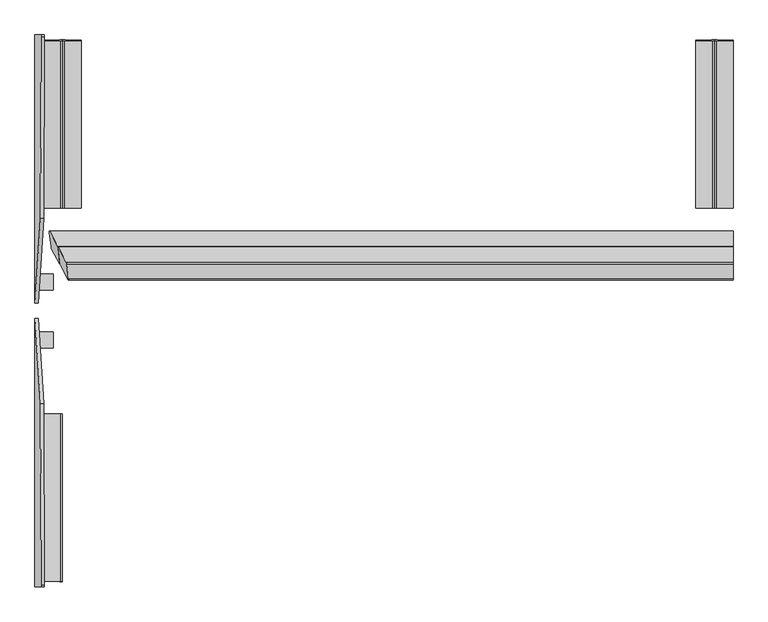
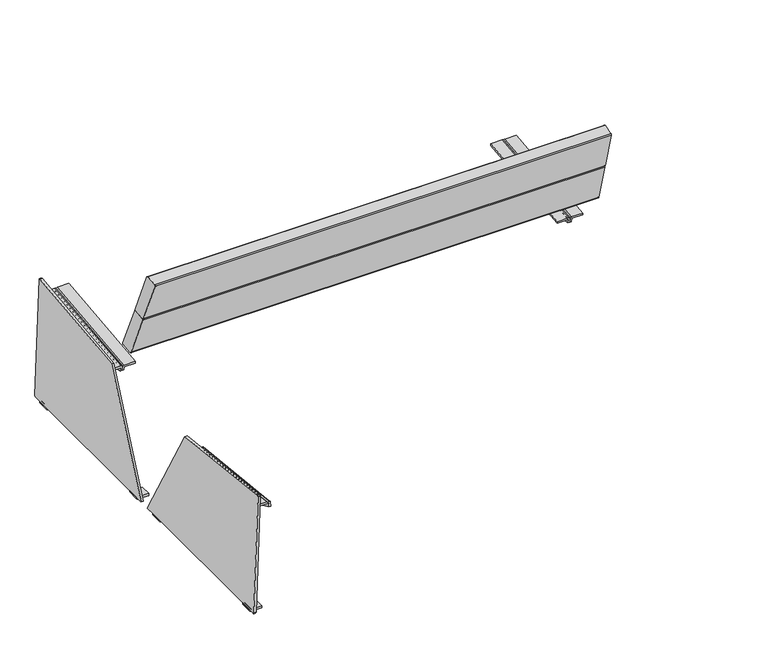
"""IFC4 building model written with IfcOpenShell, lengths in millimetres: furniture geometry."""

from ifc_helpers import new_model, si_unit, frame, origin, place, context, project, spatial, polyline, circle_curve, ellipse_curve, source, transform, mapped, element, save
from ifc_brep_helpers import plane_surface, cylinder_surface, revolved_surface, advanced_brep


def furniture_32de3968(model_context):
    return source(origin(), model_context, "Body", "AdvancedBrep", [
        advanced_brep(
        [(-813.6175866, -321.0984876, 392.7020678), (-813.6175866, 96.5595156, 347.1443157), (-813.6175866, 98.3286043, 363.3705861), (-813.6175866, -319.3317784, 408.9065131), (-819.6131806, 96.5595156, 347.1443157), (-819.6131806, -321.0984876, 392.7020678), (-819.6131806, -319.8223825, 404.4066392), (-819.6131806, 97.8380001, 358.8707122), (-817.6175866, -318.8982426, 412.8829495), (-859.6028254, -318.8982426, 412.8829495), (-859.6028254, -319.7193007, 405.3521172), (-820.5642613, -319.7193007, 405.3521172), (-820.5642613, 97.941082, 359.8161902), (-859.6028254, 97.941082, 359.8161902), (-859.6028254, 98.76214, 367.3470225), (-817.6175866, 98.76214, 367.3470225)],
        [
            (0, 1, circle_curve(frame((-813.6175866, -59.7670647, 851.2475639), z_axis=(1.0, 0.0, 0.0), x_axis=(0.0, -1.0, 0.0)), 527.7860216)),
            (1, 2),
            (2, 3),
            (3, 0),
            (4, 5, circle_curve(frame((-819.6131806, -59.7670647, 851.2475639), z_axis=(-1.0, 0.0, 0.0), x_axis=(0.0, -1.0, 0.0)), 527.7860216)),
            (5, 6),
            (6, 7),
            (7, 4),
            (5, 0),
            (3, 8, circle_curve(frame((-817.6175866, -319.3317784, 408.9065131), z_axis=(0.0, -0.9941091089617909, 0.10838394474826071), x_axis=(0.0, -0.10838394474826071, -0.9941091089617909)), 4.0)),
            (8, 9),
            (9, 10),
            (10, 11),
            (11, 6, circle_curve(frame((-820.5642613, -319.8223825, 404.4066392), z_axis=(0.0, 0.9941091089617909, -0.10838394474826071), x_axis=(0.0, -0.10838394474826071, -0.9941091089617909)), 0.9510807)),
            (4, 1),
            (7, 12, circle_curve(frame((-820.5642613, 97.8380001, 358.8707122), z_axis=(0.0, -0.9941091089617909, 0.10838394474826071), x_axis=(0.0, -0.10838394474826071, -0.9941091089617909)), 0.9510807)),
            (12, 13),
            (13, 14),
            (14, 15),
            (15, 2, circle_curve(frame((-817.6175866, 98.3286043, 363.3705861), z_axis=(0.0, 0.9941091089617909, -0.10838394474826071), x_axis=(0.0, -0.10838394474826071, -0.9941091089617909)), 4.0)),
            (9, 14),
            (13, 10),
            (12, 11),
            (15, 8),
        ],
        [
            plane_surface(frame((-813.6175866, -319.8564605, 404.0940726), z_axis=(1.0, 0.0, 0.0), x_axis=(0.0, -0.10838394474826071, -0.9941091089617909))),
            plane_surface(frame((-819.6131806, -319.8564605, 404.0940726), z_axis=(-1.0, 0.0, 0.0), x_axis=(0.0, 0.10838394474826071, 0.9941091089617909))),
            plane_surface(frame((-813.6175866, -319.8564605, 404.0940726), z_axis=(0.0, -0.9941091089617909, 0.10838394474826071), x_axis=(-1.0, 0.0, 0.0))),
            cylinder_surface(frame((-819.6131806, -59.7670647, 851.2475639), z_axis=(1.0, 0.0, 0.0), x_axis=(0.0, -1.0, 0.0)), 527.7860216),
            plane_surface(frame((-813.6175866, 96.5595156, 347.1443157), z_axis=(0.0, 0.9941091089617916, -0.10838394474825458), x_axis=(-1.0, 0.0, 0.0))),
            plane_surface(frame((-859.6028254, -318.8982426, 412.8829495), z_axis=(-1.0000000000000002, 0.0, 0.0), x_axis=(0.0, 0.994109108961791, -0.10838394474826066))),
            plane_surface(frame((-859.6028254, -319.7193007, 405.3521172), z_axis=(0.0, -0.10838394474826069, -0.994109108961791), x_axis=(0.0, 0.994109108961791, -0.10838394474826069))),
            revolved_surface(polyline([(-820.5642613, 97.73491824228601, 357.9252342105562), (-820.5642613, -319.92546445485533, 403.46116123677587)]), (-820.5642613, 97.8380001, 358.8707122), (0.0, 0.9941091089617909, -0.10838394474826071)),
            cylinder_surface(frame((-817.6175866, 98.3286043, 363.3705861), z_axis=(0.0, -0.9941091089617909, 0.10838394474826071), x_axis=(0.0, -0.10838394474826071, -0.9941091089617909)), 4.0),
            plane_surface(frame((-817.6175866, -318.8982426, 412.8829495), z_axis=(0.0, 0.10838394474826066, 0.994109108961791), x_axis=(0.0, 0.994109108961791, -0.10838394474826066))),
        ],
        [
            (0, [[1, 2, 3, 4]]),
            (1, [[5, 6, 7, 8]]),
            (2, [[-6, 9, -4, 10, 11, 12, 13, 14]]),
            (3, [[-1, -9, -5, 15]]),
            (4, [[-2, -15, -8, 16, 17, 18, 19, 20]]),
            (5, [[-12, 21, -18, 22]]),
            (6, [[-13, -22, -17, 23]]),
            (7, [[-14, -23, -16, -7]]),
            (8, [[-10, -3, -20, 24]]),
            (9, [[-11, -24, -19, -21]]),
        ],
    ),
        advanced_brep(
        [(-872.7246235, -303.3438949, 8.0), (-873.7592787, -303.3438949, 9.0714168), (-873.7270646, -303.3438949, 9.9939083), (-881.7221912, -303.3438949, 10.2731042), (-881.7221912, -303.3438949, 8.2703475), (-873.7845921, -303.3438949, 0.0), (-836.0809359, -303.3438949, 0.0), (-836.0809359, -303.3438949, 8.0), (-872.7246235, -263.3438949, 8.0), (-836.0809359, -263.3438949, 8.0), (-836.0809359, -263.3438949, 0.0), (-873.7845921, -263.3438949, 0.0), (-881.7221912, -263.3438949, 8.2703475), (-881.7221912, -263.3438949, 10.2731042), (-873.7270646, -263.3438949, 9.9939083), (-873.7592787, -263.3438949, 9.0714168), (-873.7270646, 263.3438949, 9.9939083), (-873.7592787, 263.3438949, 9.0714168), (-873.7592787, 303.3438949, 9.0714168), (-873.7270646, 303.3438949, 9.9939083), (-873.7270646, 333.3438949, 9.9939083), (-873.6893191, 336.0793859, 11.0747965), (-859.8067367, 124.9540587, 408.6199423), (-858.0775206, -328.9097929, 458.1382142), (-858.216294, -333.3438949, 454.1642618), (-873.5874666, -333.3438949, 13.9914716), (-873.7270646, -329.3438949, 9.9939083), (-867.8018633, 124.9540587, 408.8991383), (-881.6844457, 336.0793859, 11.3539925), (-881.7221912, 333.3438949, 10.2731042), (-881.7221912, 303.3438949, 10.2731042), (-881.7221912, 263.3438949, 10.2731042), (-881.7221912, -329.3438949, 10.2731042), (-881.5825932, -333.3438949, 14.2706676), (-866.2114206, -333.3438949, 454.4434578), (-866.0726472, -328.9097929, 458.4174101), (-872.7246235, 303.3438949, 8.0), (-836.0809359, 303.3438949, 8.0), (-836.0809359, 303.3438949, 0.0), (-873.7845921, 303.3438949, 0.0), (-881.7221912, 303.3438949, 8.2703475), (-872.7246235, 263.3438949, 8.0), (-881.7221912, 263.3438949, 8.2703475), (-873.7845921, 263.3438949, 0.0), (-836.0809359, 263.3438949, 0.0), (-836.0809359, 263.3438949, 8.0)],
        [
            (0, 1, circle_curve(frame((-872.7246235, -303.3438949, 9.0352858), z_axis=(0.0, 1.0, 0.0), x_axis=(1.0, 0.0, 0.0)), 1.0352858)),
            (1, 2),
            (2, 3),
            (3, 4),
            (4, 5, circle_curve(frame((-873.4448692, -303.3438949, 8.2703475), z_axis=(0.0, -1.0, 0.0), x_axis=(1.0, 0.0, 0.0)), 8.277322)),
            (5, 6),
            (6, 7),
            (7, 0),
            (8, 9),
            (9, 10),
            (10, 11),
            (11, 12, circle_curve(frame((-873.4448692, -263.3438949, 8.2703475), z_axis=(0.0, 1.0, 0.0), x_axis=(1.0, 0.0, 0.0)), 8.277322)),
            (12, 13),
            (13, 14),
            (14, 15),
            (15, 8, circle_curve(frame((-872.7246235, -263.3438949, 9.0352858), z_axis=(0.0, -1.0, 0.0), x_axis=(1.0, 0.0, 0.0)), 1.0352858)),
            (0, 8),
            (15, 1),
            (14, 16),
            (16, 17),
            (17, 18),
            (18, 19),
            (19, 20),
            (20, 21, circle_curve(frame((-873.5874621, 333.3438949, 13.9916002), z_axis=(0.9993908270190959, 0.0, -0.0348994967025008), x_axis=(-0.0348994967025008, 0.0, -0.9993908270190959)), 4.0001287)),
            (21, 22),
            (22, 23),
            (23, 24, circle_curve(frame((-858.216294, -329.3438949, 454.1642618), z_axis=(0.9993908270190959, 0.0, -0.0348994967025008), x_axis=(-0.0348994967025008, 0.0, -0.9993908270190959)), 4.0)),
            (24, 25),
            (25, 26, circle_curve(frame((-873.5874666, -329.3438949, 13.9914716), z_axis=(0.9993908270190959, 0.0, -0.0348994967025008), x_axis=(-0.0348994967025008, 0.0, -0.9993908270190959)), 4.0)),
            (26, 2),
            (5, 11),
            (10, 6),
            (9, 7),
            (3, 13),
            (12, 4),
            (27, 28),
            (28, 29, circle_curve(frame((-881.5825887, 333.3438949, 14.2707962), z_axis=(-0.9993908270190959, 0.0, 0.0348994967025008), x_axis=(-0.0348994967025008, 0.0, -0.9993908270190959)), 4.0001287)),
            (29, 30),
            (30, 31),
            (31, 13),
            (3, 32),
            (32, 33, circle_curve(frame((-881.5825932, -329.3438949, 14.2706676), z_axis=(-0.9993908270190959, 0.0, 0.0348994967025008), x_axis=(-0.0348994967025008, 0.0, -0.9993908270190959)), 4.0)),
            (33, 34),
            (34, 35, circle_curve(frame((-866.2114206, -329.3438949, 454.4434578), z_axis=(-0.9993908270190959, 0.0, 0.0348994967025008), x_axis=(-0.0348994967025008, 0.0, -0.9993908270190959)), 4.0)),
            (35, 27),
            (27, 22),
            (21, 28),
            (20, 29),
            (31, 16),
            (19, 30),
            (26, 32),
            (25, 33),
            (24, 34),
            (23, 35),
            (36, 37),
            (37, 38),
            (38, 39),
            (39, 40, circle_curve(frame((-873.4448692, 303.3438949, 8.2703475), z_axis=(0.0, 1.0, 0.0), x_axis=(1.0, 0.0, 0.0)), 8.277322)),
            (40, 30),
            (18, 36, circle_curve(frame((-872.7246235, 303.3438949, 9.0352858), z_axis=(0.0, -1.0, 0.0), x_axis=(1.0, 0.0, 0.0)), 1.0352858)),
            (41, 17, circle_curve(frame((-872.7246235, 263.3438949, 9.0352858), z_axis=(0.0, 1.0, 0.0), x_axis=(1.0, 0.0, 0.0)), 1.0352858)),
            (31, 42),
            (42, 43, circle_curve(frame((-873.4448692, 263.3438949, 8.2703475), z_axis=(0.0, -1.0, 0.0), x_axis=(1.0, 0.0, 0.0)), 8.277322)),
            (43, 44),
            (44, 45),
            (45, 41),
            (41, 36),
            (38, 44),
            (43, 39),
            (37, 45),
            (40, 42),
        ],
        [
            plane_surface(frame((-871.6893377, -303.3438949, 9.0352858), z_axis=(0.0, -1.0, 0.0), x_axis=(0.0, 0.0, -1.0))),
            plane_surface(frame((-871.6893377, -263.3438949, 9.0352858), z_axis=(0.0, 1.0, 0.0), x_axis=(0.0, 0.0, 1.0))),
            revolved_surface(polyline([(-871.6893377, -263.3438949, 9.0352858), (-871.6893377, -303.3438949, 9.0352858)]), (-872.7246235, -263.3438949, 9.0352858), (0.0, 1.0, 0.0)),
            plane_surface(frame((-873.7592787, -303.3438949, 9.0714168), z_axis=(0.9993908270190954, 0.0, -0.03489949670251134), x_axis=(0.0, 1.0, 0.0))),
            plane_surface(frame((-873.7845921, -303.3438949, 0.0), z_axis=(0.0, 0.0, -1.0), x_axis=(0.0, 1.0, 0.0))),
            plane_surface(frame((-836.0809359, -303.3438949, 0.0), z_axis=(1.0, 0.0, 0.0), x_axis=(0.0, 1.0, 0.0))),
            plane_surface(frame((-836.0809359, -303.3438949, 8.0), z_axis=(0.0, 0.0, 1.0), x_axis=(0.0, 1.0, 0.0))),
            plane_surface(frame((-881.7221912, -303.3438949, 10.2731042), z_axis=(-1.0, 0.0, 0.0), x_axis=(0.0, 1.0, 0.0))),
            cylinder_surface(frame((-873.4448692, -263.3438949, 8.2703475), z_axis=(0.0, -1.0, 0.0), x_axis=(1.0, 0.0, 0.0)), 8.277322),
            plane_surface(frame((-867.7611698, 124.3351949, 410.0644476), z_axis=(-0.9993908270190959, 0.0, 0.0348994967025008), x_axis=(-0.030826689731681154, 0.46881010804538603, -0.8827608950302795))),
            plane_surface(frame((-867.8018633, 124.9540587, 408.8991383), z_axis=(0.01636123681982749, 0.8832989769010681, 0.4685245215943901), x_axis=(0.9993908270190959, 0.0, -0.03489949670249758))),
            cylinder_surface(frame((-873.5874621, 333.3438949, 13.9916002), z_axis=(-0.9993908270190959, 0.0, 0.0348994967025008), x_axis=(-0.0348994967025008, 0.0, -0.9993908270190959)), 4.0001287),
            plane_surface(frame((-881.7221912, 333.3438949, 10.2731042), z_axis=(-0.03489949670249758, 0.0, -0.9993908270190959), x_axis=(0.9993908270190959, 0.0, -0.03489949670249758))),
            cylinder_surface(frame((-873.5874666, -329.3438949, 13.9914716), z_axis=(-0.9993908270190959, 0.0, 0.0348994967025008), x_axis=(-0.0348994967025008, 0.0, -0.9993908270190959)), 4.0),
            plane_surface(frame((-881.5825932, -333.3438949, 14.2706676), z_axis=(0.0, -1.0, 0.0), x_axis=(0.9993908270190959, 0.0, -0.03489949670249758))),
            cylinder_surface(frame((-858.216294, -329.3438949, 454.1642618), z_axis=(-0.9993908270190959, 0.0, 0.0348994967025008), x_axis=(-0.0348994967025008, 0.0, -0.9993908270190959)), 4.0),
            plane_surface(frame((-866.0726472, -328.9097929, 458.4174101), z_axis=(0.03469336856703176, 0.1085255092275189, 0.9934880895231608), x_axis=(0.9993908270190959, 0.0, -0.03489949670249758))),
            plane_surface(frame((-836.0809359, 303.3438949, 8.0), z_axis=(0.0, 1.0, 0.0), x_axis=(1.0, 0.0, 0.0))),
            plane_surface(frame((-836.0809359, 263.3438949, 8.0), z_axis=(0.0, -1.0, 0.0), x_axis=(-1.0, 0.0, 0.0))),
            revolved_surface(polyline([(-871.6893377, 263.3438949, 9.0352858), (-871.6893377, 303.3438949, 9.0352858)]), (-872.7246235, 263.3438949, 9.0352858), (0.0, -1.0, 0.0)),
            plane_surface(frame((-836.0809359, 303.3438949, 0.0), z_axis=(0.0, 0.0, -1.0), x_axis=(0.0, -1.0, 0.0))),
            plane_surface(frame((-836.0809359, 303.3438949, 8.0), z_axis=(1.0, 0.0, 0.0), x_axis=(0.0, -1.0, 0.0))),
            plane_surface(frame((-872.7246235, 303.3438949, 8.0), z_axis=(0.0, 0.0, 1.0), x_axis=(0.0, -1.0, 0.0))),
            plane_surface(frame((-881.7221912, 303.3438949, 8.2703475), z_axis=(-1.0, 0.0, 0.0), x_axis=(0.0, -1.0, 0.0))),
            cylinder_surface(frame((-873.4448692, 263.3438949, 8.2703475), z_axis=(0.0, 1.0, 0.0), x_axis=(1.0, 0.0, 0.0)), 8.277322),
        ],
        [
            (0, [[1, 2, 3, 4, 5, 6, 7, 8]]),
            (1, [[9, 10, 11, 12, 13, 14, 15, 16]]),
            (2, [[-1, 17, -16, 18]]),
            (3, [[-2, -18, -15, 19, 20, 21, 22, 23, 24, 25, 26, 27, 28, 29, 30]]),
            (4, [[-6, 31, -11, 32]]),
            (5, [[-7, -32, -10, 33]]),
            (6, [[-8, -33, -9, -17]]),
            (7, [[-4, 34, -13, 35]]),
            (8, [[-5, -35, -12, -31]]),
            (9, [[36, 37, 38, 39, 40, -34, 41, 42, 43, 44, 45]]),
            (10, [[-36, 46, -25, 47]]),
            (11, [[-37, -47, -24, 48]]),
            (12, [[-14, -40, 49, -19]]),
            (12, [[-48, -23, 50, -38]]),
            (12, [[51, -41, -3, -30]]),
            (13, [[-42, -51, -29, 52]]),
            (14, [[-43, -52, -28, 53]]),
            (15, [[-44, -53, -27, 54]]),
            (16, [[-45, -54, -26, -46]]),
            (17, [[55, 56, 57, 58, 59, -50, -22, 60]]),
            (18, [[61, -20, -49, 62, 63, 64, 65, 66]]),
            (19, [[-60, -21, -61, 67]]),
            (20, [[-57, 68, -64, 69]]),
            (21, [[-56, 70, -65, -68]]),
            (22, [[-55, -67, -66, -70]]),
            (23, [[-59, 71, -62, -39]]),
            (24, [[-58, -69, -63, -71]]),
        ],
    ),
        advanced_brep(
        [(-872.7246235, 407.6111261, 8.0), (-873.7592787, 407.6111261, 9.0714168), (-873.7270646, 407.6111261, 9.9939083), (-881.7221912, 407.6111261, 10.2731042), (-881.7221912, 407.6111261, 8.2703475), (-873.7845921, 407.6111261, 0.0), (-836.0809359, 407.6111261, 0.0), (-836.0809359, 407.6111261, 8.0), (-872.7246235, 447.6111261, 8.0), (-836.0809359, 447.6111261, 8.0), (-836.0809359, 447.6111261, 0.0), (-873.7845921, 447.6111261, 0.0), (-881.7221912, 447.6111261, 8.2703475), (-881.7221912, 447.6111261, 10.2731042), (-873.7270646, 447.6111261, 9.9939083), (-873.7592787, 447.6111261, 9.0714168), (-873.7270646, 974.2989159, 9.9939083), (-873.7592787, 974.2989159, 9.0714168), (-873.7592787, 1014.2989159, 9.0714168), (-873.7270646, 1014.2989159, 9.9939083), (-873.7270646, 1040.2989159, 9.9939083), (-873.5874666, 1044.2989159, 13.9914716), (-858.216294, 1044.2989159, 454.1642618), (-858.0775206, 1039.8648139, 458.1382142), (-859.8067367, 586.0009623, 408.6199423), (-873.6893191, 374.8756351, 11.0747965), (-873.7270646, 377.6111261, 9.9939083), (-867.8018633, 586.0009623, 408.8991383), (-866.0726472, 1039.8648139, 458.4174101), (-866.2114206, 1044.2989159, 454.4434578), (-881.5825932, 1044.2989159, 14.2706676), (-881.7221912, 1040.2989159, 10.2731042), (-881.7221912, 1014.2989159, 10.2731042), (-881.7221912, 974.2989159, 10.2731042), (-881.7221912, 377.6111261, 10.2731042), (-881.6844457, 374.8756351, 11.3539925), (-872.7246235, 1014.2989159, 8.0), (-836.0809359, 1014.2989159, 8.0), (-836.0809359, 1014.2989159, 0.0), (-873.7845921, 1014.2989159, 0.0), (-881.7221912, 1014.2989159, 8.2703475), (-872.7246235, 974.2989159, 8.0), (-881.7221912, 974.2989159, 8.2703475), (-873.7845921, 974.2989159, 0.0), (-836.0809359, 974.2989159, 0.0), (-836.0809359, 974.2989159, 8.0)],
        [
            (0, 1, circle_curve(frame((-872.7246235, 407.6111261, 9.0352858), z_axis=(0.0, 1.0, 0.0), x_axis=(1.0, 0.0, 0.0)), 1.0352858)),
            (1, 2),
            (2, 3),
            (3, 4),
            (4, 5, circle_curve(frame((-873.4448692, 407.6111261, 8.2703475), z_axis=(0.0, -1.0, 0.0), x_axis=(1.0, 0.0, 0.0)), 8.277322)),
            (5, 6),
            (6, 7),
            (7, 0),
            (8, 9),
            (9, 10),
            (10, 11),
            (11, 12, circle_curve(frame((-873.4448692, 447.6111261, 8.2703475), z_axis=(0.0, 1.0, 0.0), x_axis=(1.0, 0.0, 0.0)), 8.277322)),
            (12, 13),
            (13, 14),
            (14, 15),
            (15, 8, circle_curve(frame((-872.7246235, 447.6111261, 9.0352858), z_axis=(0.0, -1.0, 0.0), x_axis=(1.0, 0.0, 0.0)), 1.0352858)),
            (0, 8),
            (15, 1),
            (14, 16),
            (16, 17),
            (17, 18),
            (18, 19),
            (19, 20),
            (20, 21, circle_curve(frame((-873.5874666, 1040.2989159, 13.9914716), z_axis=(0.9993908270190959, 0.0, -0.0348994967025008), x_axis=(-0.0348994967025008, 0.0, -0.9993908270190959)), 4.0)),
            (21, 22),
            (22, 23, circle_curve(frame((-858.216294, 1040.2989159, 454.1642618), z_axis=(0.9993908270190959, 0.0, -0.0348994967025008), x_axis=(-0.0348994967025008, 0.0, -0.9993908270190959)), 4.0)),
            (23, 24),
            (24, 25),
            (25, 26, circle_curve(frame((-873.5874621, 377.6111261, 13.9916002), z_axis=(0.9993908270190959, 0.0, -0.0348994967025008), x_axis=(-0.0348994967025008, 0.0, -0.9993908270190959)), 4.0001287)),
            (26, 2),
            (5, 11),
            (10, 6),
            (9, 7),
            (3, 13),
            (12, 4),
            (27, 28),
            (28, 29, circle_curve(frame((-866.2114206, 1040.2989159, 454.4434578), z_axis=(-0.9993908270190959, 0.0, 0.0348994967025008), x_axis=(-0.0348994967025008, 0.0, -0.9993908270190959)), 4.0)),
            (29, 30),
            (30, 31, circle_curve(frame((-881.5825932, 1040.2989159, 14.2706676), z_axis=(-0.9993908270190959, 0.0, 0.0348994967025008), x_axis=(-0.0348994967025008, 0.0, -0.9993908270190959)), 4.0)),
            (31, 32),
            (32, 33),
            (33, 13),
            (3, 34),
            (34, 35, circle_curve(frame((-881.5825887, 377.6111261, 14.2707962), z_axis=(-0.9993908270190959, 0.0, 0.0348994967025008), x_axis=(-0.0348994967025008, 0.0, -0.9993908270190959)), 4.0001287)),
            (35, 27),
            (35, 25),
            (24, 27),
            (34, 26),
            (33, 16),
            (31, 20),
            (19, 32),
            (30, 21),
            (29, 22),
            (28, 23),
            (36, 37),
            (37, 38),
            (38, 39),
            (39, 40, circle_curve(frame((-873.4448692, 1014.2989159, 8.2703475), z_axis=(0.0, 1.0, 0.0), x_axis=(1.0, 0.0, 0.0)), 8.277322)),
            (40, 32),
            (18, 36, circle_curve(frame((-872.7246235, 1014.2989159, 9.0352858), z_axis=(0.0, -1.0, 0.0), x_axis=(1.0, 0.0, 0.0)), 1.0352858)),
            (41, 17, circle_curve(frame((-872.7246235, 974.2989159, 9.0352858), z_axis=(0.0, 1.0, 0.0), x_axis=(1.0, 0.0, 0.0)), 1.0352858)),
            (33, 42),
            (42, 43, circle_curve(frame((-873.4448692, 974.2989159, 8.2703475), z_axis=(0.0, -1.0, 0.0), x_axis=(1.0, 0.0, 0.0)), 8.277322)),
            (43, 44),
            (44, 45),
            (45, 41),
            (41, 36),
            (38, 44),
            (43, 39),
            (37, 45),
            (40, 42),
        ],
        [
            plane_surface(frame((-871.6893377, 407.6111261, 9.0352858), z_axis=(0.0, -1.0, 0.0), x_axis=(0.0, 0.0, -1.0))),
            plane_surface(frame((-871.6893377, 447.6111261, 9.0352858), z_axis=(0.0, 1.0, 0.0), x_axis=(0.0, 0.0, 1.0))),
            revolved_surface(polyline([(-871.6893377, 447.6111261, 9.0352858), (-871.6893377, 407.6111261, 9.0352858)]), (-872.7246235, 447.6111261, 9.0352858), (0.0, 1.0, 0.0)),
            plane_surface(frame((-873.7592787, 407.6111261, 9.0714168), z_axis=(0.9993908270190954, 0.0, -0.0348994967025115), x_axis=(0.0, 1.0, 0.0))),
            plane_surface(frame((-873.7845921, 407.6111261, 0.0), z_axis=(0.0, 0.0, -1.0), x_axis=(0.0, 1.0, 0.0))),
            plane_surface(frame((-836.0809359, 407.6111261, 0.0), z_axis=(1.0, 0.0, 0.0), x_axis=(0.0, 1.0, 0.0))),
            plane_surface(frame((-836.0809359, 407.6111261, 8.0), z_axis=(0.0, 0.0, 1.0), x_axis=(0.0, 1.0, 0.0))),
            plane_surface(frame((-881.7221912, 407.6111261, 10.2731042), z_axis=(-1.0, 0.0, 0.0), x_axis=(0.0, 1.0, 0.0))),
            cylinder_surface(frame((-873.4448692, 447.6111261, 8.2703475), z_axis=(0.0, -1.0, 0.0), x_axis=(1.0, 0.0, 0.0)), 8.277322),
            plane_surface(frame((-866.0721957, 1039.9833205, 458.4303396), z_axis=(-0.9993908270190958, 0.0, 0.0348994967025008), x_axis=(0.003787485651423017, 0.9940936645240769, 0.10845939841955865))),
            plane_surface(frame((-881.6844457, 374.8756351, 11.3539925), z_axis=(0.01636123681982749, -0.8832989769010681, 0.4685245215943901), x_axis=(0.9993908270190959, 0.0, -0.03489949670249758))),
            cylinder_surface(frame((-873.5874621, 377.6111261, 13.9916002), z_axis=(-0.9993908270190959, 0.0, 0.0348994967025008), x_axis=(-0.0348994967025008, 0.0, -0.9993908270190959)), 4.0001287),
            plane_surface(frame((-881.7221912, 1040.2989159, 10.2731042), z_axis=(-0.03489949670249758, 0.0, -0.9993908270190959), x_axis=(0.9993908270190959, 0.0, -0.03489949670249758))),
            cylinder_surface(frame((-873.5874666, 1040.2989159, 13.9914716), z_axis=(-0.9993908270190959, 0.0, 0.0348994967025008), x_axis=(-0.0348994967025008, 0.0, -0.9993908270190959)), 4.0),
            plane_surface(frame((-866.2114206, 1044.2989159, 454.4434578), z_axis=(0.0, 1.0, 0.0), x_axis=(0.9993908270190959, 0.0, -0.03489949670249758))),
            cylinder_surface(frame((-858.216294, 1040.2989159, 454.1642618), z_axis=(-0.9993908270190959, 0.0, 0.0348994967025008), x_axis=(-0.0348994967025008, 0.0, -0.9993908270190959)), 4.0),
            plane_surface(frame((-867.8018633, 586.0009623, 408.8991383), z_axis=(0.03469336856704016, -0.10852550922751894, 0.9934880895231605), x_axis=(0.9993908270190955, 0.0, -0.034899496702506035))),
            plane_surface(frame((-836.0809359, 1014.2989159, 8.0), z_axis=(0.0, 1.0, 0.0), x_axis=(1.0, 0.0, 0.0))),
            plane_surface(frame((-836.0809359, 974.2989159, 8.0), z_axis=(0.0, -1.0, 0.0), x_axis=(-1.0, 0.0, 0.0))),
            revolved_surface(polyline([(-871.6893377, 974.2989159, 9.0352858), (-871.6893377, 1014.2989159, 9.0352858)]), (-872.7246235, 974.2989159, 9.0352858), (0.0, -1.0, 0.0)),
            plane_surface(frame((-836.0809359, 1014.2989159, 0.0), z_axis=(0.0, 0.0, -1.0), x_axis=(0.0, -1.0, 0.0))),
            plane_surface(frame((-836.0809359, 1014.2989159, 8.0), z_axis=(1.0, 0.0, 0.0), x_axis=(0.0, -1.0, 0.0))),
            plane_surface(frame((-872.7246235, 1014.2989159, 8.0), z_axis=(0.0, 0.0, 1.0), x_axis=(0.0, -1.0, 0.0))),
            plane_surface(frame((-881.7221912, 1014.2989159, 8.2703475), z_axis=(-1.0, 0.0, 0.0), x_axis=(0.0, -1.0, 0.0))),
            cylinder_surface(frame((-873.4448692, 974.2989159, 8.2703475), z_axis=(0.0, 1.0, 0.0), x_axis=(1.0, 0.0, 0.0)), 8.277322),
        ],
        [
            (0, [[1, 2, 3, 4, 5, 6, 7, 8]]),
            (1, [[9, 10, 11, 12, 13, 14, 15, 16]]),
            (2, [[-1, 17, -16, 18]]),
            (3, [[-2, -18, -15, 19, 20, 21, 22, 23, 24, 25, 26, 27, 28, 29, 30]]),
            (4, [[-6, 31, -11, 32]]),
            (5, [[-7, -32, -10, 33]]),
            (6, [[-8, -33, -9, -17]]),
            (7, [[-4, 34, -13, 35]]),
            (8, [[-5, -35, -12, -31]]),
            (9, [[36, 37, 38, 39, 40, 41, 42, -34, 43, 44, 45]]),
            (10, [[-45, 46, -28, 47]]),
            (11, [[-44, 48, -29, -46]]),
            (12, [[-14, -42, 49, -19]]),
            (12, [[-48, -43, -3, -30]]),
            (12, [[50, -23, 51, -40]]),
            (13, [[-39, 52, -24, -50]]),
            (14, [[-38, 53, -25, -52]]),
            (15, [[-37, 54, -26, -53]]),
            (16, [[-36, -47, -27, -54]]),
            (17, [[55, 56, 57, 58, 59, -51, -22, 60]]),
            (18, [[61, -20, -49, 62, 63, 64, 65, 66]]),
            (19, [[-60, -21, -61, 67]]),
            (20, [[-57, 68, -64, 69]]),
            (21, [[-56, 70, -65, -68]]),
            (22, [[-55, -67, -66, -70]]),
            (23, [[-59, 71, -62, -41]]),
            (24, [[-58, -69, -63, -71]]),
        ],
    ),
        advanced_brep(
        [(-859.6028254, 1029.8532636, 412.8829495), (-817.6175866, 1029.8532636, 412.8829495), (-813.6175866, 1030.2867994, 408.9065131), (-813.6175866, 1030.8114815, 404.0940726), (-813.6175866, 1032.0535086, 392.7020678), (-819.6131806, 1032.0535086, 392.7020678), (-819.6131806, 1030.7774035, 404.4066392), (-820.5642613, 1030.6743217, 405.3521172), (-859.6028254, 1030.6743217, 405.3521172), (-859.6028254, 612.192881, 367.3470225), (-859.6028254, 613.013939, 359.8161902), (-820.5642613, 613.013939, 359.8161902), (-819.6131806, 613.1170209, 358.8707122), (-819.6131806, 614.3955054, 347.1443157), (-813.6175866, 614.3955054, 347.1443157), (-813.6175866, 613.1510989, 358.5581456), (-813.6175866, 612.6264167, 363.3705861), (-817.6175866, 612.192881, 367.3470225)],
        [
            (0, 1),
            (1, 2, circle_curve(frame((-817.6175866, 1030.2867994, 408.9065131), z_axis=(0.0, 0.9941091089617909, 0.10838394474826071), x_axis=(0.0, 0.10838394474826071, -0.9941091089617909)), 4.0)),
            (2, 3),
            (3, 4),
            (4, 5),
            (5, 6),
            (6, 7, circle_curve(frame((-820.5642613, 1030.7774035, 404.4066392), z_axis=(0.0, -0.9941091089617909, -0.10838394474826071), x_axis=(0.0, 0.10838394474826071, -0.9941091089617909)), 0.9510807)),
            (7, 8),
            (8, 0),
            (9, 10),
            (10, 11),
            (11, 12, circle_curve(frame((-820.5642613, 613.1170209, 358.8707122), z_axis=(0.0, 0.9941091089617909, 0.10838394474826071), x_axis=(0.0, 0.10838394474826071, -0.9941091089617909)), 0.9510807)),
            (12, 13),
            (13, 14),
            (14, 15),
            (15, 16),
            (16, 17, circle_curve(frame((-817.6175866, 612.6264167, 363.3705861), z_axis=(0.0, -0.9941091089617909, -0.10838394474826071), x_axis=(0.0, 0.10838394474826071, -0.9941091089617909)), 4.0)),
            (17, 9),
            (8, 10),
            (9, 0),
            (7, 11),
            (6, 12),
            (5, 13, circle_curve(frame((-819.6131806, 770.7220857, 851.2475639), z_axis=(-1.0, 0.0, 0.0), x_axis=(0.0, 1.0, 0.0)), 527.7860216)),
            (3, 15),
            (14, 4, circle_curve(frame((-813.6175866, 770.7220857, 851.2475639), z_axis=(1.0, 0.0, 0.0), x_axis=(0.0, 1.0, 0.0)), 527.7860216)),
            (2, 16),
            (1, 17),
        ],
        [
            plane_surface(frame((-813.6175866, 1029.8532636, 412.8829495), z_axis=(0.0, 0.9941091089617909, 0.10838394474826071), x_axis=(1.0, 0.0, 0.0))),
            plane_surface(frame((-813.6175866, 612.192881, 367.3470225), z_axis=(0.0, -0.9941091089617909, -0.10838394474826071), x_axis=(-1.0, 0.0, 0.0))),
            plane_surface(frame((-859.6028254, 1030.6743217, 405.3521172), z_axis=(-1.0000000000000002, 0.0, 0.0), x_axis=(0.0, -0.994109108961791, -0.10838394474826064))),
            plane_surface(frame((-820.5642613, 1030.6743217, 405.3521172), z_axis=(0.0, 0.10838394474826064, -0.994109108961791), x_axis=(0.0, -0.994109108961791, -0.10838394474826064))),
            revolved_surface(polyline([(-820.5642613, 613.220102757714, 357.9252342105562), (-820.5642613, 1030.8804854548553, 403.46116123677587)]), (-820.5642613, 613.1170209, 358.8707122), (0.0, -0.9941091089617909, -0.10838394474826071)),
            plane_surface(frame((-819.6131806, 1031.1577981, 400.9176199), z_axis=(-1.0000000000000002, 0.0, 0.0), x_axis=(0.0, -0.994109108961791, -0.10838394474826064))),
            plane_surface(frame((-813.6175866, 1030.8114815, 404.0940726), z_axis=(1.0000000000000002, 0.0, 0.0), x_axis=(0.0, -0.994109108961791, -0.10838394474826064))),
            plane_surface(frame((-813.6175866, 1030.2867994, 408.9065131), z_axis=(1.0000000000000002, 0.0, 0.0), x_axis=(0.0, -0.994109108961791, -0.10838394474826064))),
            cylinder_surface(frame((-817.6175866, 612.6264167, 363.3705861), z_axis=(0.0, 0.9941091089617909, 0.10838394474826071), x_axis=(0.0, 0.10838394474826071, -0.9941091089617909)), 4.0),
            plane_surface(frame((-859.6028254, 1029.8532636, 412.8829495), z_axis=(0.0, -0.10838394474826064, 0.994109108961791), x_axis=(0.0, -0.994109108961791, -0.10838394474826064))),
            cylinder_surface(frame((-819.6131806, 770.7220857, 851.2475639), z_axis=(1.0, 0.0, 0.0), x_axis=(0.0, 1.0, 0.0)), 527.7860216),
        ],
        [
            (0, [[1, 2, 3, 4, 5, 6, 7, 8, 9]]),
            (1, [[10, 11, 12, 13, 14, 15, 16, 17, 18]]),
            (2, [[-9, 19, -10, 20]]),
            (3, [[-8, 21, -11, -19]]),
            (4, [[-7, 22, -12, -21]]),
            (5, [[-13, -22, -6, 23]]),
            (6, [[-4, 24, -15, 25]]),
            (7, [[-3, 26, -16, -24]]),
            (8, [[-2, 27, -17, -26]]),
            (9, [[-1, -20, -18, -27]]),
            (10, [[-25, -14, -23, -5]]),
        ],
    ),
        advanced_brep(
        [(-766.5577736, 1029.8448496, 412.9601231), (-766.5577736, 1030.6743217, 405.3521172), (-805.5963377, 1030.6743217, 405.3521172), (-806.5474184, 1030.7774035, 404.4066392), (-806.5474184, 1032.0535086, 392.7020678), (-812.5430123, 1032.0535086, 392.7020678), (-812.5430123, 1030.8114815, 404.0940726), (-812.5430123, 1030.2783854, 408.9836866), (-808.5430123, 1029.8448496, 412.9601231), (-766.5577736, 612.184467, 367.4241961), (-808.5430123, 612.184467, 367.4241961), (-812.5430123, 612.6180028, 363.4477596), (-812.5430123, 613.1510989, 358.5581456), (-812.5430123, 614.3955054, 347.1443157), (-806.5474184, 614.3955054, 347.1443157), (-806.5474184, 613.1170209, 358.8707122), (-805.5963377, 613.013939, 359.8161902), (-766.5577736, 613.013939, 359.8161902)],
        [
            (0, 1),
            (1, 2),
            (2, 3, circle_curve(frame((-805.5963377, 1030.7774035, 404.4066392), z_axis=(0.0, -0.9941091089617909, -0.10838394474826071), x_axis=(0.0, 0.10838394474826071, -0.9941091089617909)), 0.9510807)),
            (3, 4),
            (4, 5),
            (5, 6),
            (6, 7),
            (7, 8, circle_curve(frame((-808.5430123, 1030.2783854, 408.9836866), z_axis=(0.0, 0.9941091089617909, 0.10838394474826071), x_axis=(0.0, 0.10838394474826071, -0.9941091089617909)), 4.0)),
            (8, 0),
            (9, 10),
            (10, 11, circle_curve(frame((-808.5430123, 612.6180028, 363.4477596), z_axis=(0.0, -0.9941091089617909, -0.10838394474826071), x_axis=(0.0, 0.10838394474826071, -0.9941091089617909)), 4.0)),
            (11, 12),
            (12, 13),
            (13, 14),
            (14, 15),
            (15, 16, circle_curve(frame((-805.5963377, 613.1170209, 358.8707122), z_axis=(0.0, 0.9941091089617909, 0.10838394474826071), x_axis=(0.0, 0.10838394474826071, -0.9941091089617909)), 0.9510807)),
            (16, 17),
            (17, 9),
            (0, 9),
            (17, 1),
            (16, 2),
            (15, 3),
            (14, 4, circle_curve(frame((-806.5474184, 770.7220857, 851.2475639), z_axis=(1.0, 0.0, 0.0), x_axis=(0.0, 1.0, 0.0)), 527.7860216)),
            (5, 13, circle_curve(frame((-812.5430123, 770.7220857, 851.2475639), z_axis=(-1.0, 0.0, 0.0), x_axis=(0.0, 1.0, 0.0)), 527.7860216)),
            (12, 6),
            (11, 7),
            (10, 8),
        ],
        [
            plane_surface(frame((-766.5577736, 1030.7974029, 404.223203), z_axis=(0.0, 0.9941091089617909, 0.1083839447482607), x_axis=(0.0, 0.1083839447482607, -0.9941091089617909))),
            plane_surface(frame((-766.5577736, 613.1370203, 358.6872759), z_axis=(0.0, -0.9941091089617909, -0.1083839447482607), x_axis=(0.0, -0.1083839447482607, 0.9941091089617909))),
            plane_surface(frame((-766.5577736, 1029.8448496, 412.9601231), z_axis=(1.0000000000000002, 0.0, 0.0), x_axis=(0.0, -0.994109108961791, -0.10838394474826064))),
            plane_surface(frame((-766.5577736, 1030.6743217, 405.3521172), z_axis=(0.0, 0.10838394474826064, -0.994109108961791), x_axis=(0.0, -0.994109108961791, -0.10838394474826064))),
            revolved_surface(polyline([(-805.5963377, 613.220102757714, 357.9252342105562), (-805.5963377, 1030.8804854548553, 403.46116123677587)]), (-805.5963377, 613.1170209, 358.8707122), (0.0, -0.9941091089617909, -0.10838394474826071)),
            plane_surface(frame((-806.5474184, 1030.7774035, 404.4066392), z_axis=(1.0000000000000002, 0.0, 0.0), x_axis=(0.0, -0.994109108961791, -0.10838394474826064))),
            plane_surface(frame((-812.5430123, 1031.1577981, 400.9176199), z_axis=(-1.0000000000000002, 0.0, 0.0), x_axis=(0.0, -0.994109108961791, -0.10838394474826069))),
            plane_surface(frame((-812.5430123, 1030.8114815, 404.0940726), z_axis=(-1.0000000000000002, 0.0, 0.0), x_axis=(0.0, -0.994109108961791, -0.10838394474826064))),
            cylinder_surface(frame((-808.5430123, 612.6180028, 363.4477596), z_axis=(0.0, 0.9941091089617909, 0.10838394474826071), x_axis=(0.0, 0.10838394474826071, -0.9941091089617909)), 4.0),
            plane_surface(frame((-808.5430123, 1029.8448496, 412.9601231), z_axis=(0.0, -0.10838394474826064, 0.994109108961791), x_axis=(0.0, -0.994109108961791, -0.10838394474826064))),
            cylinder_surface(frame((-806.5474184, 770.7220857, 851.2475639), z_axis=(-1.0, 0.0, 0.0), x_axis=(0.0, 1.0, 0.0)), 527.7860216),
        ],
        [
            (0, [[1, 2, 3, 4, 5, 6, 7, 8, 9]]),
            (1, [[10, 11, 12, 13, 14, 15, 16, 17, 18]]),
            (2, [[-1, 19, -18, 20]]),
            (3, [[-2, -20, -17, 21]]),
            (4, [[-3, -21, -16, 22]]),
            (5, [[-4, -22, -15, 23]]),
            (6, [[-6, 24, -13, 25]]),
            (7, [[-7, -25, -12, 26]]),
            (8, [[-8, -26, -11, 27]]),
            (9, [[-9, -27, -10, -19]]),
            (10, [[-24, -5, -23, -14]]),
        ],
    ),
        advanced_brep(
        [(812.5430123, 614.3955054, 347.1443157), (812.5430123, 1032.0535086, 392.7020678), (812.5430123, 1030.2988015, 408.7964286), (812.5430123, 612.6384188, 363.2605016), (806.5474184, 1032.0535086, 392.7020678), (806.5474184, 614.3955054, 347.1443157), (806.5474184, 613.1170209, 358.8707122), (806.5474184, 1030.7774035, 404.4066392), (805.5963377, 1030.6743217, 405.3521172), (766.5577736, 1030.6743217, 405.3521172), (766.5577736, 1029.8652657, 412.772865), (808.5430123, 1029.8652657, 412.772865), (808.5430123, 612.2048831, 367.236938), (766.5577736, 612.2048831, 367.236938), (766.5577736, 613.013939, 359.8161902), (805.5963377, 613.013939, 359.8161902)],
        [
            (0, 1, circle_curve(frame((812.5430123, 770.7220857, 851.2475639), z_axis=(1.0, 0.0, 0.0), x_axis=(0.0, 1.0, 0.0)), 527.7860216)),
            (1, 2),
            (2, 3),
            (3, 0),
            (4, 5, circle_curve(frame((806.5474184, 770.7220857, 851.2475639), z_axis=(-1.0, 0.0, 0.0), x_axis=(0.0, 1.0, 0.0)), 527.7860216)),
            (5, 6),
            (6, 7),
            (7, 4),
            (1, 4),
            (7, 8, circle_curve(frame((805.5963377, 1030.7774035, 404.4066392), z_axis=(0.0, -0.9941091089617909, -0.10838394474826071), x_axis=(0.0, 0.10838394474826071, -0.9941091089617909)), 0.9510807)),
            (8, 9),
            (9, 10),
            (10, 11),
            (11, 2, circle_curve(frame((808.5430123, 1030.2988015, 408.7964286), z_axis=(0.0, 0.9941091089617909, 0.10838394474826071), x_axis=(0.0, 0.10838394474826071, -0.9941091089617909)), 4.0)),
            (0, 5),
            (3, 12, circle_curve(frame((808.5430123, 612.6384188, 363.2605016), z_axis=(0.0, -0.9941091089617909, -0.10838394474826071), x_axis=(0.0, 0.10838394474826071, -0.9941091089617909)), 4.0)),
            (12, 13),
            (13, 14),
            (14, 15),
            (15, 6, circle_curve(frame((805.5963377, 613.1170209, 358.8707122), z_axis=(0.0, 0.9941091089617909, 0.10838394474826071), x_axis=(0.0, 0.10838394474826071, -0.9941091089617909)), 0.9510807)),
            (9, 14),
            (13, 10),
            (8, 15),
            (11, 12),
        ],
        [
            plane_surface(frame((812.5430123, 613.1510989, 358.5581456), z_axis=(1.0, 0.0, 0.0), x_axis=(0.0, -0.9941091089617913, -0.10838394474825762))),
            plane_surface(frame((806.5474184, 613.1510989, 358.5581456), z_axis=(-1.0, 0.0, 0.0), x_axis=(0.0, 0.9941091089617913, 0.10838394474825762))),
            plane_surface(frame((812.5430123, 1032.0535086, 392.7020678), z_axis=(0.0, 0.994109108961791, 0.10838394474826007), x_axis=(-1.0, 0.0, 0.0))),
            cylinder_surface(frame((806.5474184, 770.7220857, 851.2475639), z_axis=(1.0, 0.0, 0.0), x_axis=(0.0, 1.0, 0.0)), 527.7860216),
            plane_surface(frame((812.5430123, 613.1510989, 358.5581456), z_axis=(0.0, -0.994109108961791, -0.10838394474826041), x_axis=(-1.0, 0.0, 0.0))),
            plane_surface(frame((766.5577736, 1030.6743217, 405.3521172), z_axis=(-1.0000000000000002, 0.0, 0.0), x_axis=(0.0, -0.994109108961791, -0.10838394474826069))),
            plane_surface(frame((805.5963377, 1030.6743217, 405.3521172), z_axis=(0.0, 0.10838394474826069, -0.994109108961791), x_axis=(0.0, -0.994109108961791, -0.10838394474826069))),
            revolved_surface(polyline([(805.5963377, 613.220102757714, 357.9252342105562), (805.5963377, 1030.8804854548553, 403.46116123677587)]), (805.5963377, 613.1170209, 358.8707122), (0.0, -0.9941091089617909, -0.10838394474826071)),
            cylinder_surface(frame((808.5430123, 612.6384188, 363.2605016), z_axis=(0.0, 0.9941091089617909, 0.10838394474826071), x_axis=(0.0, 0.10838394474826071, -0.9941091089617909)), 4.0),
            plane_surface(frame((766.5577736, 1029.8652657, 412.772865), z_axis=(0.0, -0.10838394474826069, 0.994109108961791), x_axis=(0.0, -0.994109108961791, -0.10838394474826069))),
        ],
        [
            (0, [[1, 2, 3, 4]]),
            (1, [[5, 6, 7, 8]]),
            (2, [[-2, 9, -8, 10, 11, 12, 13, 14]]),
            (3, [[-1, 15, -5, -9]]),
            (4, [[-6, -15, -4, 16, 17, 18, 19, 20]]),
            (5, [[-12, 21, -18, 22]]),
            (6, [[-11, 23, -19, -21]]),
            (7, [[-10, -7, -20, -23]]),
            (8, [[-14, 24, -16, -3]]),
            (9, [[-13, -22, -17, -24]]),
        ],
    ),
        advanced_brep(
        [(813.6175866, 1032.0535086, 392.7020678), (813.6175866, 614.3955054, 347.1443157), (813.6175866, 612.6552624, 363.1060105), (813.6175866, 1030.315645, 408.6419375), (819.6131806, 614.3955054, 347.1443157), (819.6131806, 1032.0535086, 392.7020678), (819.6131806, 1030.7774035, 404.4066392), (819.6131806, 613.1170209, 358.8707122), (817.6175866, 1029.8821093, 412.6183739), (859.6028254, 1029.8821093, 412.6183739), (859.6028254, 1030.6743217, 405.3521172), (820.5642613, 1030.6743217, 405.3521172), (820.5642613, 613.013939, 359.8161902), (859.6028254, 613.013939, 359.8161902), (859.6028254, 612.2217266, 367.0824469), (817.6175866, 612.2217266, 367.0824469)],
        [
            (0, 1, circle_curve(frame((813.6175866, 770.7220857, 851.2475639), z_axis=(-1.0, 0.0, 0.0), x_axis=(0.0, 1.0, 0.0)), 527.7860216)),
            (1, 2),
            (2, 3),
            (3, 0),
            (4, 5, circle_curve(frame((819.6131806, 770.7220857, 851.2475639), z_axis=(1.0, 0.0, 0.0), x_axis=(0.0, 1.0, 0.0)), 527.7860216)),
            (5, 6),
            (6, 7),
            (7, 4),
            (5, 0),
            (3, 8, circle_curve(frame((817.6175866, 1030.315645, 408.6419375), z_axis=(0.0, 0.9941091089617909, 0.10838394474826071), x_axis=(0.0, 0.10838394474826071, -0.9941091089617909)), 4.0)),
            (8, 9),
            (9, 10),
            (10, 11),
            (11, 6, circle_curve(frame((820.5642613, 1030.7774035, 404.4066392), z_axis=(0.0, -0.9941091089617909, -0.10838394474826071), x_axis=(0.0, 0.10838394474826071, -0.9941091089617909)), 0.9510807)),
            (4, 1),
            (7, 12, circle_curve(frame((820.5642613, 613.1170209, 358.8707122), z_axis=(0.0, 0.9941091089617909, 0.10838394474826071), x_axis=(0.0, 0.10838394474826071, -0.9941091089617909)), 0.9510807)),
            (12, 13),
            (13, 14),
            (14, 15),
            (15, 2, circle_curve(frame((817.6175866, 612.6552624, 363.1060105), z_axis=(0.0, -0.9941091089617909, -0.10838394474826071), x_axis=(0.0, 0.10838394474826071, -0.9941091089617909)), 4.0)),
            (9, 14),
            (13, 10),
            (12, 11),
            (15, 8),
        ],
        [
            plane_surface(frame((813.6175866, 1030.8114815, 404.0940726), z_axis=(-1.0, 0.0, 0.0), x_axis=(0.0, 0.10838394474826071, -0.9941091089617909))),
            plane_surface(frame((819.6131806, 1030.8114815, 404.0940726), z_axis=(1.0, 0.0, 0.0), x_axis=(0.0, -0.10838394474826071, 0.9941091089617909))),
            plane_surface(frame((813.6175866, 1030.8114815, 404.0940726), z_axis=(0.0, 0.9941091089617909, 0.10838394474826071), x_axis=(1.0, 0.0, 0.0))),
            cylinder_surface(frame((819.6131806, 770.7220857, 851.2475639), z_axis=(-1.0, 0.0, 0.0), x_axis=(0.0, 1.0, 0.0)), 527.7860216),
            plane_surface(frame((813.6175866, 614.3955054, 347.1443157), z_axis=(0.0, -0.994109108961791, -0.10838394474826041), x_axis=(1.0, 0.0, 0.0))),
            plane_surface(frame((859.6028254, 1029.8821093, 412.6183739), z_axis=(1.0000000000000002, 0.0, 0.0), x_axis=(0.0, -0.994109108961791, -0.10838394474826081))),
            plane_surface(frame((859.6028254, 1030.6743217, 405.3521172), z_axis=(0.0, 0.10838394474826064, -0.994109108961791), x_axis=(0.0, -0.994109108961791, -0.10838394474826064))),
            revolved_surface(polyline([(820.5642613, 613.220102757714, 357.9252342105562), (820.5642613, 1030.8804854548553, 403.46116123677587)]), (820.5642613, 613.1170209, 358.8707122), (0.0, -0.9941091089617909, -0.10838394474826071)),
            cylinder_surface(frame((817.6175866, 612.6552624, 363.1060105), z_axis=(0.0, 0.9941091089617909, 0.10838394474826071), x_axis=(0.0, 0.10838394474826071, -0.9941091089617909)), 4.0),
            plane_surface(frame((817.6175866, 1029.8821093, 412.6183739), z_axis=(0.0, -0.10838394474826081, 0.994109108961791), x_axis=(0.0, -0.994109108961791, -0.10838394474826081))),
        ],
        [
            (0, [[1, 2, 3, 4]]),
            (1, [[5, 6, 7, 8]]),
            (2, [[-6, 9, -4, 10, 11, 12, 13, 14]]),
            (3, [[-1, -9, -5, 15]]),
            (4, [[-2, -15, -8, 16, 17, 18, 19, 20]]),
            (5, [[-12, 21, -18, 22]]),
            (6, [[-13, -22, -17, 23]]),
            (7, [[-14, -23, -16, -7]]),
            (8, [[-10, -3, -20, 24]]),
            (9, [[-11, -24, -19, -21]]),
        ],
    ),
        advanced_brep(
        [(859.6028254, 475.675705, 632.6891205), (859.6028254, 511.3538209, 642.4903465), (859.6028254, 514.1513384, 647.4070186), (859.6028254, 475.8904015, 786.687229), (859.6028254, 470.9736937, 789.4847667), (859.6028254, 435.295586, 779.6835409), (859.6028254, 432.4980687, 774.7668691), (859.6028254, 470.7589973, 635.4866585), (-818.8029206, 470.7589973, 635.4866585), (-819.7991902, 475.675705, 632.6891205), (-798.1878321, 432.4980687, 774.7668691), (-798.0423005, 435.295586, 779.6835409), (-801.9769125, 470.9736937, 789.4847667), (-802.973182, 475.8904015, 786.687229), (-823.5882718, 514.1513384, 647.4070186), (-823.7338034, 511.3538209, 642.4903465)],
        [
            (0, 1),
            (1, 2, circle_curve(frame((859.6028254, 510.2942258, 646.3474514), z_axis=(1.0, 0.0, 0.0), x_axis=(0.0, 1.0, 0.0)), 4.0)),
            (2, 3),
            (3, 4, circle_curve(frame((859.6028254, 472.033289, 785.6276619), z_axis=(1.0, 0.0, 0.0), x_axis=(0.0, 1.0, 0.0)), 4.0)),
            (4, 5),
            (5, 6, circle_curve(frame((859.6028254, 436.3551813, 775.8264361), z_axis=(1.0, 0.0, 0.0), x_axis=(0.0, 1.0, 0.0)), 4.0)),
            (6, 7),
            (7, 0, circle_curve(frame((859.6028254, 474.6161099, 636.5462254), z_axis=(1.0, 0.0, 0.0), x_axis=(0.0, 1.0, 0.0)), 4.0)),
            (7, 8),
            (8, 9, ellipse_curve(frame((-819.2282896, 474.6161099, 636.5462254), z_axis=(0.9845272064646956, 0.13817840671663228, -0.1077632017345245), x_axis=(0.17523178858535485, -0.7763454442639719, 0.6054598016712207)), 4.0628639, 4.0)),
            (9, 0),
            (6, 10),
            (10, 8),
            (5, 11),
            (11, 10, ellipse_curve(frame((-798.613201, 436.3551813, 775.8264361), z_axis=(0.9845272064646956, 0.13817840671663228, -0.1077632017345245), x_axis=(0.17523178858535485, -0.7763454442639719, 0.6054598016712207)), 4.0628639, 4.0)),
            (4, 12),
            (12, 11),
            (3, 13),
            (13, 12, ellipse_curve(frame((-802.5478131, 472.033289, 785.6276619), z_axis=(0.9845272064646956, 0.13817840671663228, -0.1077632017345245), x_axis=(0.17523178858535485, -0.7763454442639719, 0.6054598016712207)), 4.0628639, 4.0)),
            (2, 14),
            (14, 13),
            (1, 15),
            (15, 14, ellipse_curve(frame((-823.1629028, 510.2942258, 646.3474514), z_axis=(0.9845272064646956, 0.13817840671663228, -0.1077632017345245), x_axis=(0.17523178858535485, -0.7763454442639719, 0.6054598016712207)), 4.0628639, 4.0)),
            (9, 15),
        ],
        [
            plane_surface(frame((859.6028254, 511.3538463, 642.4903535), z_axis=(1.0000000000000002, 0.0, 0.0), x_axis=(0.0, 0.9642762254474649, 0.26489877507604664))),
            cylinder_surface(frame((-826.6787284, 474.6161099, 636.5462254), z_axis=(1.0, 0.0, 0.0), x_axis=(0.0, 1.0, 0.0)), 4.0),
            plane_surface(frame((859.6028254, 432.4980687, 774.7668691), z_axis=(0.0, -0.9642781573688651, -0.26489174245586866), x_axis=(-1.0, 0.0, 0.0))),
            cylinder_surface(frame((-826.6787284, 436.3551813, 775.8264361), z_axis=(1.0, 0.0, 0.0), x_axis=(0.0, 1.0, 0.0)), 4.0),
            plane_surface(frame((859.6028254, 470.9736937, 789.4847667), z_axis=(0.0, -0.2648988265500012, 0.9642762113069224), x_axis=(-1.0, 0.0, 0.0))),
            cylinder_surface(frame((-826.6787284, 472.033289, 785.6276619), z_axis=(1.0, 0.0, 0.0), x_axis=(0.0, 1.0, 0.0)), 4.0),
            plane_surface(frame((859.6028254, 514.1513384, 647.4070186), z_axis=(0.0, 0.9642781425237718, 0.2648917964960498), x_axis=(-1.0, 0.0, 0.0))),
            cylinder_surface(frame((-826.6787284, 510.2942258, 646.3474514), z_axis=(1.0, 0.0, 0.0), x_axis=(0.0, 1.0, 0.0)), 4.0),
            plane_surface(frame((859.6028254, 475.675705, 632.6891205), z_axis=(0.0, 0.26489877507604664, -0.9642762254474649), x_axis=(-1.0, 0.0, 0.0))),
            plane_surface(frame((-840.9439079, 500.8972591, 471.8505833), z_axis=(-0.9845272064646956, -0.13817840671663228, 0.1077632017345245), x_axis=(-0.10213209083077511, 0.9522059736125491, 0.28787639680792154))),
        ],
        [
            (0, [[1, 2, 3, 4, 5, 6, 7, 8]]),
            (1, [[-8, 9, 10, 11]]),
            (2, [[-7, 12, 13, -9]]),
            (3, [[-6, 14, 15, -12]]),
            (4, [[-5, 16, 17, -14]]),
            (5, [[-4, 18, 19, -16]]),
            (6, [[-3, 20, 21, -18]]),
            (7, [[-2, 22, 23, -20]]),
            (8, [[-1, -11, 24, -22]]),
            (9, [[-10, -13, -15, -17, -19, -21, -23, -24]]),
        ],
    ),
        advanced_brep(
        [(859.6028254, 515.8225178, 486.5435624), (859.6028254, 551.5006334, 496.3447884), (859.6028254, 554.2981509, 501.2614604), (859.6028254, 516.2704092, 639.692777), (859.6028254, 511.3537013, 642.4903147), (859.6028254, 475.6755939, 632.689089), (859.6028254, 472.8780766, 627.7724172), (859.6028254, 510.90581, 489.3411004), (-840.4341521, 510.90581, 489.3411004), (-841.4304217, 515.8225178, 486.5435624), (-819.9447097, 472.8780766, 627.7724172), (-819.7991781, 475.6755939, 632.689089), (-823.7337901, 511.3537013, 642.4903147), (-824.7300596, 516.2704092, 639.692777), (-845.2195032, 554.2981509, 501.2614604), (-845.3650348, 551.5006334, 496.3447884)],
        [
            (0, 1),
            (1, 2, circle_curve(frame((859.6028254, 550.4410383, 500.2018933), z_axis=(1.0, 0.0, 0.0), x_axis=(0.0, 1.0, 0.0)), 4.0)),
            (2, 3),
            (3, 4, circle_curve(frame((859.6028254, 512.4132966, 638.6332098), z_axis=(1.0, 0.0, 0.0), x_axis=(0.0, 1.0, 0.0)), 4.0)),
            (4, 5),
            (5, 6, circle_curve(frame((859.6028254, 476.7351892, 628.8319842), z_axis=(1.0, 0.0, 0.0), x_axis=(0.0, 1.0, 0.0)), 4.0)),
            (6, 7),
            (7, 0, circle_curve(frame((859.6028254, 514.7629227, 490.4006673), z_axis=(1.0, 0.0, 0.0), x_axis=(0.0, 1.0, 0.0)), 4.0)),
            (7, 8),
            (8, 9, ellipse_curve(frame((-840.8595211, 514.7629227, 490.4006673), z_axis=(0.9845272064646956, 0.13817840671663228, -0.1077632017345245), x_axis=(0.17523178858535485, -0.7763454442639719, 0.6054598016712207)), 4.0628639, 4.0)),
            (9, 0),
            (6, 10),
            (10, 8),
            (5, 11),
            (11, 10, ellipse_curve(frame((-820.3700787, 476.7351892, 628.8319842), z_axis=(0.9845272064646956, 0.13817840671663228, -0.1077632017345245), x_axis=(0.17523178858535485, -0.7763454442639719, 0.6054598016712207)), 4.0628639, 4.0)),
            (4, 12),
            (12, 11),
            (3, 13),
            (13, 12, ellipse_curve(frame((-824.3046907, 512.4132966, 638.6332098), z_axis=(0.9845272064646956, 0.13817840671663228, -0.1077632017345245), x_axis=(0.17523178858535485, -0.7763454442639719, 0.6054598016712207)), 4.0628639, 4.0)),
            (2, 14),
            (14, 13),
            (1, 15),
            (15, 14, ellipse_curve(frame((-844.7941343, 550.4410383, 500.2018933), z_axis=(0.9845272064646956, 0.13817840671663228, -0.1077632017345245), x_axis=(0.17523178858535485, -0.7763454442639719, 0.6054598016712207)), 4.0628639, 4.0)),
            (9, 15),
        ],
        [
            plane_surface(frame((859.6028254, 551.5006208, 496.3447849), z_axis=(1.0, 0.0, 0.0), x_axis=(0.0, 0.9642762254474649, 0.2648987750760463))),
            cylinder_surface(frame((-849.4957131, 514.7629227, 490.4006673), z_axis=(1.0, 0.0, 0.0), x_axis=(0.0, 1.0, 0.0)), 4.0),
            plane_surface(frame((859.6028254, 472.8780766, 627.7724172), z_axis=(0.0, -0.9642781573688652, -0.2648917424558683), x_axis=(-1.0, 0.0, 0.0))),
            cylinder_surface(frame((-849.4957131, 476.7351892, 628.8319842), z_axis=(1.0, 0.0, 0.0), x_axis=(0.0, 1.0, 0.0)), 4.0),
            plane_surface(frame((859.6028254, 511.3537013, 642.4903147), z_axis=(0.0, -0.26489882655000424, 0.9642762113069215), x_axis=(-1.0, 0.0, 0.0))),
            cylinder_surface(frame((-849.4957131, 512.4132966, 638.6332098), z_axis=(1.0, 0.0, 0.0), x_axis=(0.0, 1.0, 0.0)), 4.0),
            plane_surface(frame((859.6028254, 554.2981509, 501.2614604), z_axis=(0.0, 0.9642781425237719, 0.2648917964960495), x_axis=(-1.0, 0.0, 0.0))),
            cylinder_surface(frame((-849.4957131, 550.4410383, 500.2018933), z_axis=(1.0, 0.0, 0.0), x_axis=(0.0, 1.0, 0.0)), 4.0),
            plane_surface(frame((859.6028254, 515.8225178, 486.5435624), z_axis=(0.0, 0.2648987750760463, -0.9642762254474649), x_axis=(-1.0, 0.0, 0.0))),
            plane_surface(frame((-840.9439079, 500.8972591, 471.8505833), z_axis=(-0.9845272064646956, -0.13817840671663228, 0.1077632017345245), x_axis=(-0.10213209083077511, 0.9522059736125491, 0.28787639680792154))),
        ],
        [
            (0, [[1, 2, 3, 4, 5, 6, 7, 8]]),
            (1, [[-8, 9, 10, 11]]),
            (2, [[-7, 12, 13, -9]]),
            (3, [[-6, 14, 15, -12]]),
            (4, [[-5, 16, 17, -14]]),
            (5, [[-4, 18, 19, -16]]),
            (6, [[-3, 20, 21, -18]]),
            (7, [[-2, 22, 23, -20]]),
            (8, [[-1, -11, 24, -22]]),
            (9, [[-10, -13, -15, -17, -19, -21, -23, -24]]),
        ],
    ),
    ])


if __name__ == "__main__":
    model = new_model("IFC4")
    model_context = context("Model", 3, world=origin())
    ifc_project = project(units=[si_unit("LENGTHUNIT", "METRE", prefix="MILLI")], contexts=[model_context])
    site = spatial("IfcSite", under=ifc_project)
    building = spatial("IfcBuilding", under=site)
    placement = place(None, origin())
    furniture_shape = furniture_32de3968(model_context)
    element("IfcFurniture", 1, at=placement, inside=building, context=model_context, shape_type="MappedRepresentation", body=[
        mapped(furniture_shape, transform((0.0, 0.0, 0.0), x_axis=(1.0, 0.0, 0.0), y_axis=(0.0, 1.0, 0.0), z_axis=(0.0, 0.0, 1.0))),
    ])
    save(model, "model.ifc")
